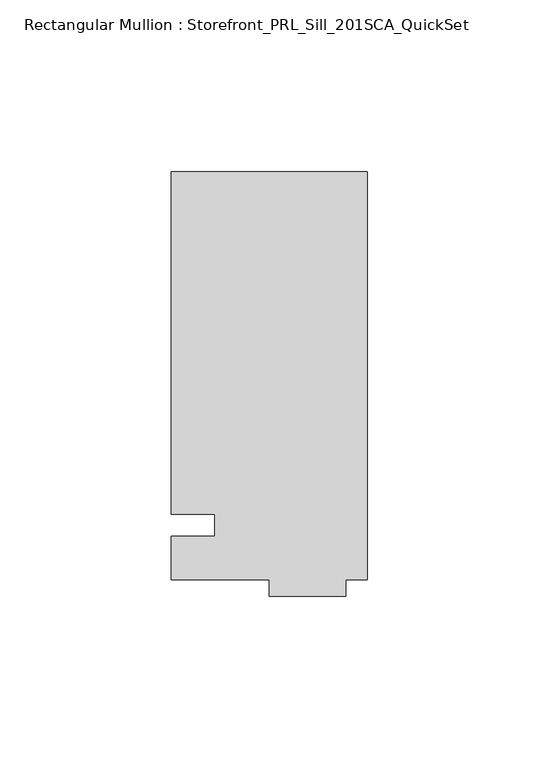
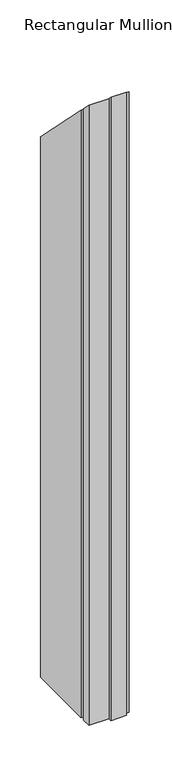
"""IFC4 building model written with IfcOpenShell, lengths in millimetres: member geometry, Rectangular Mullion : Storefront_PRL_Sill_201SCA_QuickSet."""

from ifc_helpers import new_model, si_unit, origin, place, context, project, spatial, faceted_brep, source, transform, mapped, element, save


def rectangular_mullion_storefront_prl_sill_201sca_quickset_923d18f4(model_context):
    return source(origin(), model_context, "Body", "Brep", [
        faceted_brep([(-44.45, 3.175, -914.4), (-57.15, 3.175, -914.4), (-57.15, 103.1875, -914.4), (-6.35, 103.1875, -914.4), (0.0, 103.1875, -914.4), (0.0, -15.875, -914.4), (-6.35, -15.875, -914.4), (-6.35, -20.6375, -914.4), (-28.575, -20.6375, -914.4), (-28.575, -15.875, -914.4), (-57.15, -15.875, -914.4), (-57.15, -3.175, -914.4), (-44.45, -3.175, -914.4), (-44.45, -3.175, 3.175), (-44.45, 3.175, -3.175), (-57.15, -3.175, 3.175), (-57.15, -15.875, 15.875), (-28.575, -15.875, 15.875), (-28.575, -20.6375, 20.6375), (-6.35, -20.6375, 20.6375), (-6.35, -15.875, 15.875), (0.0, -15.875, 15.875), (0.0, 103.1875, -103.1875), (-6.35, 103.1875, -103.1875), (-57.15, 103.1875, -103.1875), (-57.15, 3.175, -3.175)], [[[0, 1, 2, 3, 4, 5, 6, 7, 8, 9, 10, 11, 12]], [[13, 14, 0, 12]], [[15, 13, 12, 11]], [[16, 15, 11, 10]], [[17, 16, 10, 9]], [[18, 17, 9, 8]], [[19, 18, 8, 7]], [[20, 19, 7, 6]], [[21, 20, 6, 5]], [[22, 21, 5, 4]], [[23, 22, 4, 3]], [[24, 23, 3, 2]], [[25, 24, 2, 1]], [[14, 25, 1, 0]], [[14, 13, 15, 16, 17, 18, 19, 20, 21, 22, 23, 24, 25]]]),
    ])


if __name__ == "__main__":
    model = new_model("IFC4")
    model_context = context("Model", 3, world=origin())
    ifc_project = project(units=[si_unit("LENGTHUNIT", "METRE", prefix="MILLI")], contexts=[model_context])
    site = spatial("IfcSite", under=ifc_project)
    building = spatial("IfcBuilding", under=site)
    placement = place(None, origin())
    rectangular_mullion_storefront_prl_sill_201sca_quickset_shape = rectangular_mullion_storefront_prl_sill_201sca_quickset_923d18f4(model_context)
    element("IfcMember", 1, ObjectType="Rectangular Mullion : Storefront_PRL_Sill_201SCA_QuickSet", at=placement, inside=building, context=model_context, shape_type="MappedRepresentation", body=[
        mapped(rectangular_mullion_storefront_prl_sill_201sca_quickset_shape, transform((0.0, 0.0, 0.0), x_axis=(1.0, 0.0, 0.0), y_axis=(0.0, 1.0, 0.0), z_axis=(0.0, 0.0, 1.0))),
    ])
    save(model, "model.ifc")
